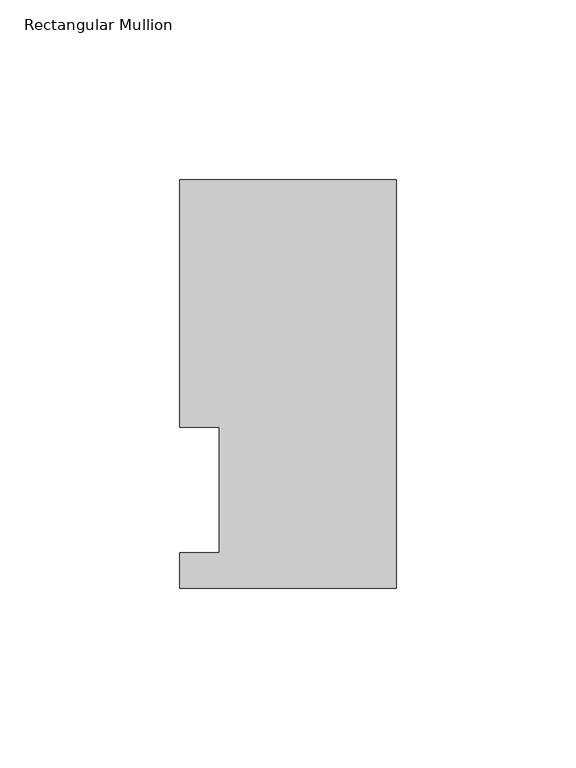
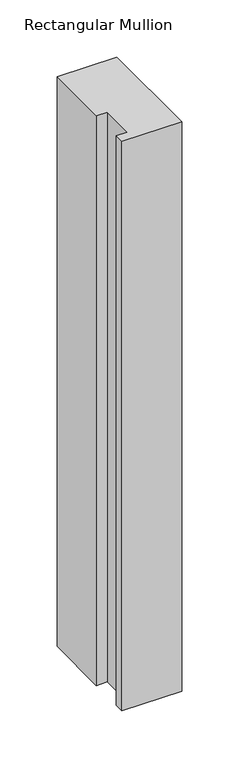
"""IFC4 building model written with IfcOpenShell, lengths in millimetres: member geometry, Rectangular Mullion."""

from ifc_helpers import new_model, si_unit, frame, origin, place, context, project, spatial, polyline, outline, extrude, source, transform, mapped, element, save


def rectangular_mullion_00da5e28(model_context):
    return source(origin(), model_context, "Body", "SweptSolid", [
        extrude(outline(polyline([(-60.325, 113.8189875), (0.0, 113.8189875), (0.0, 0.0269875), (-60.3249999, 0.0269875), (-60.3249999, 9.9329875), (-49.2125, 9.9329875), (-49.2125, 44.8579875), (-60.325, 44.8579875), (-60.325, 113.8189875)])), frame((0.0, 0.0, -609.6), z_axis=(0.0, 0.0, 1.0), x_axis=(1.0, 0.0, 0.0)), (0.0, 0.0, 1.0), 609.6),
    ])


if __name__ == "__main__":
    model = new_model("IFC4")
    model_context = context("Model", 3, world=origin())
    ifc_project = project(units=[si_unit("LENGTHUNIT", "METRE", prefix="MILLI")], contexts=[model_context])
    site = spatial("IfcSite", under=ifc_project)
    building = spatial("IfcBuilding", under=site)
    placement = place(None, origin())
    rectangular_mullion_shape = rectangular_mullion_00da5e28(model_context)
    element("IfcMember", 1, ObjectType="Rectangular Mullion", at=placement, inside=building, context=model_context, shape_type="MappedRepresentation", body=[
        mapped(rectangular_mullion_shape, transform((0.0, 0.0, 0.0), x_axis=(1.0, 0.0, 0.0), y_axis=(0.0, 1.0, 0.0), z_axis=(0.0, 0.0, 1.0))),
    ])
    save(model, "model.ifc")
